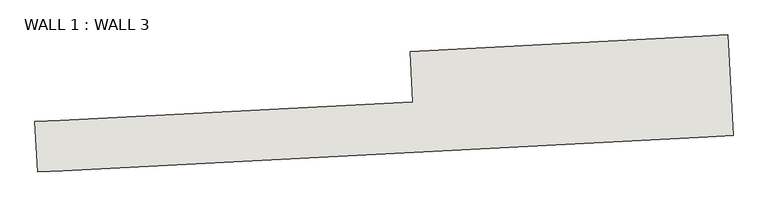
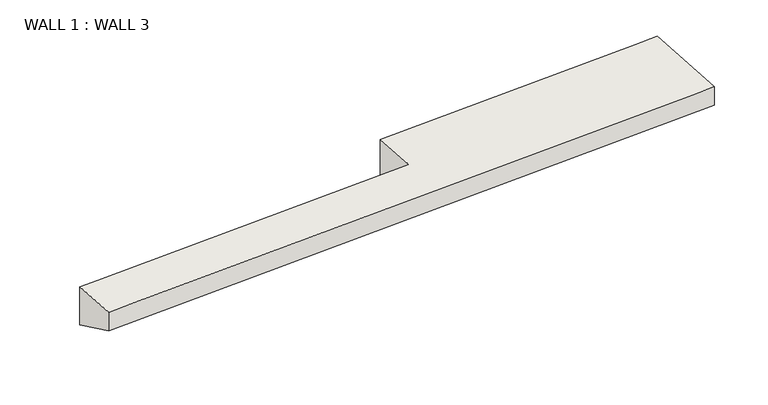
"""IFC4 building model written with IfcOpenShell, lengths in millimetres: wall geometry, WALL 1 : WALL 3."""

from ifc_helpers import new_model, si_unit, origin, place, context, project, spatial, faceted_brep, source, transform, mapped, element, save


def wall_1_wall_3_811fc3f6(model_context):
    return source(origin(), model_context, "Body", "Brep", [
        faceted_brep([(2782.9505805, -36075.7373585, 3445.1731409), (2782.9505805, -36075.7373585, 3708.4), (2751.0465816, -35466.9727941, 3708.4), (2751.0465816, -35466.9727941, 3170.3865704), (11102.337938, -34418.8635779, 3708.4), (11166.1459359, -35636.3927066, 3708.4), (11166.1459359, -35636.3927066, 3445.1731409), (11102.337938, -34418.8635779, 2895.6), (10797.9556558, -34434.8155773, 3708.4), (7272.1942204, -34619.5929044, 3708.4), (7304.0982194, -35228.3574688, 3708.4), (3055.4288637, -35451.0207947, 3708.4), (3087.3328627, -36059.785359, 3708.4), (10861.7636537, -35652.3447061, 3708.4), (7304.0982194, -35228.3574688, 3170.3865704), (7272.1942204, -34619.5929044, 2895.6)], [[[0, 1, 2, 3]], [[4, 5, 6, 7]], [[5, 4, 8, 9, 10, 11, 2, 1, 12, 13]], [[1, 0, 6, 5, 13, 12]], [[7, 6, 0, 3, 14, 15]], [[4, 7, 15, 9, 8]], [[14, 10, 9, 15]], [[10, 14, 3, 2, 11]]]),
    ])


if __name__ == "__main__":
    model = new_model("IFC4")
    model_context = context("Model", 3, world=origin())
    ifc_project = project(units=[si_unit("LENGTHUNIT", "METRE", prefix="MILLI")], contexts=[model_context])
    site = spatial("IfcSite", under=ifc_project)
    building = spatial("IfcBuilding", under=site)
    placement = place(None, origin())
    wall_1_wall_3_shape = wall_1_wall_3_811fc3f6(model_context)
    element("IfcWall", 1, ObjectType="WALL 1 : WALL 3", at=placement, inside=building, context=model_context, shape_type="MappedRepresentation", body=[
        mapped(wall_1_wall_3_shape, transform((0.0, 0.0, 0.0), x_axis=(1.0, 0.0, 0.0), y_axis=(0.0, 1.0, 0.0), z_axis=(0.0, 0.0, 1.0))),
    ])
    save(model, "model.ifc")
